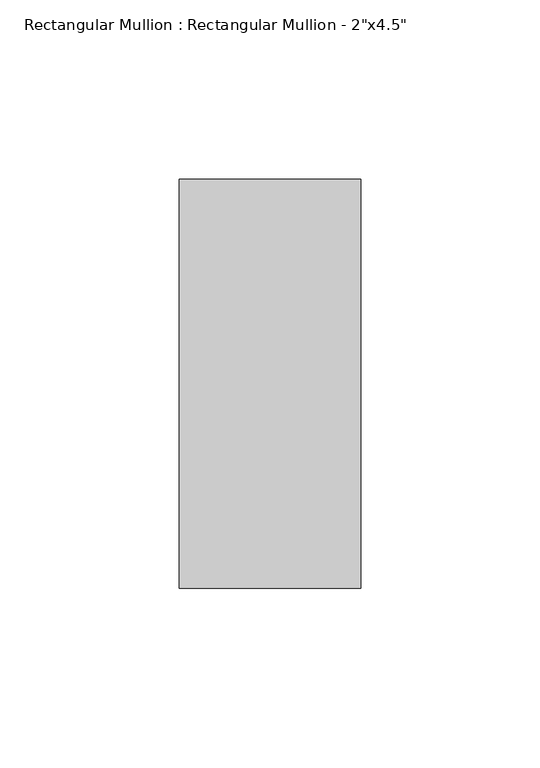
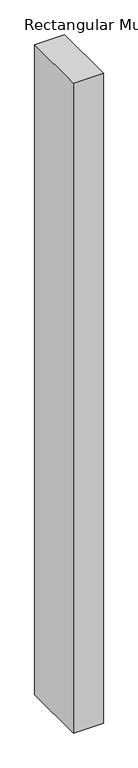
"""IFC4 building model written with IfcOpenShell, lengths in millimetres: member geometry."""

from ifc_helpers import new_model, si_unit, frame, origin, place, context, project, spatial, polyline, outline, extrude, source, transform, mapped, element, save


def member_3de87bb9(model_context):
    return source(origin(), model_context, "Body", "SweptSolid", [
        extrude(outline(polyline([(0.0, 57.15), (0.0, -57.15), (-50.8, -57.15), (-50.8, 57.15), (0.0, 57.15)])), frame((0.0, 0.0, -1168.4), z_axis=(0.0, 0.0, 1.0), x_axis=(1.0, 0.0, 0.0)), (0.0, 0.0, 1.0), 1168.4),
    ])


if __name__ == "__main__":
    model = new_model("IFC4")
    model_context = context("Model", 3, world=origin())
    ifc_project = project(units=[si_unit("LENGTHUNIT", "METRE", prefix="MILLI")], contexts=[model_context])
    site = spatial("IfcSite", under=ifc_project)
    building = spatial("IfcBuilding", under=site)
    placement = place(None, origin())
    member_shape = member_3de87bb9(model_context)
    element("IfcMember", 1, ObjectType="Rectangular Mullion : Rectangular Mullion - 2\"x4.5\"", at=placement, inside=building, context=model_context, shape_type="MappedRepresentation", body=[
        mapped(member_shape, transform((0.0, 0.0, 0.0), x_axis=(1.0, 0.0, 0.0), y_axis=(0.0, 1.0, 0.0), z_axis=(0.0, 0.0, 1.0))),
    ])
    save(model, "model.ifc")
